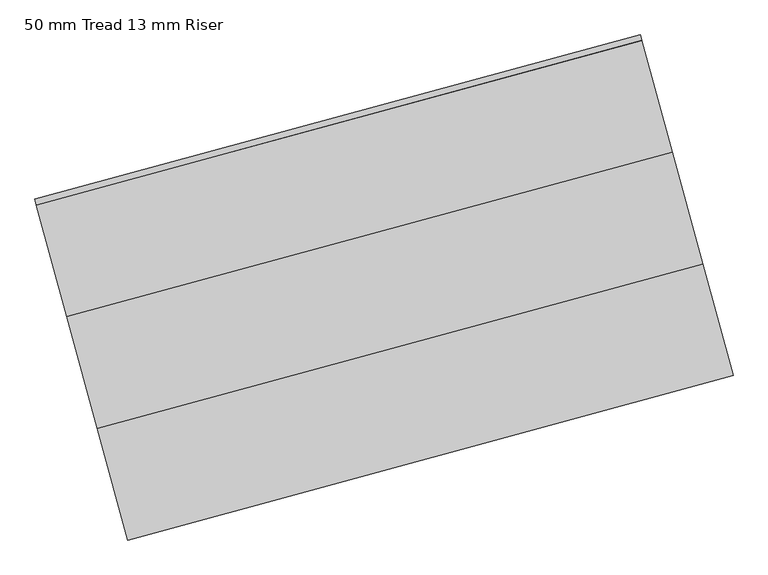
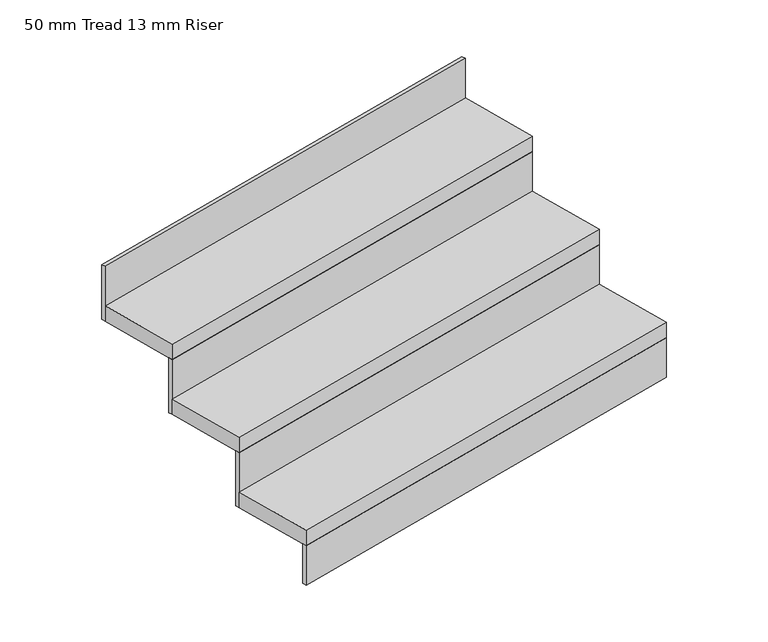
"""IFC4 building model written with IfcOpenShell, lengths in millimetres: stair flight geometry, 50 mm Tread 13 mm Riser."""

from ifc_helpers import new_model, si_unit, frame, origin, origin_with_axes, place, context, project, spatial, polyline, outline, extrude, source, transform, mapped, element, save


def stair_flight_50_mm_tread_13_mm_riser_f6943f2f(model_context):
    return source(origin(), model_context, "Body", "SweptSolid", [
        extrude(outline(polyline([(244720.3932878, 87111.111398), (244723.6718983, 87099.0490303), (243417.2275078, 86743.9510619), (243413.9488974, 86756.0134296), (244720.3932878, 87111.111398)])), origin_with_axes(), (0.0, 0.0, 1.0), 127.7777778),
        extrude(outline(polyline([(243351.6552986, 86985.198415), (244658.099689, 87340.2963834), (244723.6718983, 87099.0490303), (243417.2275078, 86743.9510619), (243351.6552986, 86985.198415)])), frame((0.0, 0.0, 127.7777778), z_axis=(0.0, 0.0, 1.0), x_axis=(1.0, 0.0, 0.0)), (0.0, 0.0, 1.0), 50.0),
        extrude(outline(polyline([(244654.8210786, 87352.358751), (244658.099689, 87340.2963834), (243351.6552986, 86985.198415), (243348.3766881, 86997.2607827), (244654.8210786, 87352.358751)])), frame((0.0, 0.0, 127.7777778), z_axis=(0.0, 0.0, 1.0), x_axis=(1.0, 0.0, 0.0)), (0.0, 0.0, 1.0), 177.7777778),
        extrude(outline(polyline([(243286.0830893, 87226.4457681), (244592.5274798, 87581.5437365), (244658.099689, 87340.2963834), (243351.6552986, 86985.198415), (243286.0830893, 87226.4457681)])), frame((0.0, 0.0, 305.5555556), z_axis=(0.0, 0.0, 1.0), x_axis=(1.0, 0.0, 0.0)), (0.0, 0.0, 1.0), 50.0),
        extrude(outline(polyline([(244589.2488693, 87593.6061041), (244592.5274798, 87581.5437365), (243286.0830893, 87226.4457681), (243282.8044788, 87238.5081358), (244589.2488693, 87593.6061041)])), frame((0.0, 0.0, 305.5555556), z_axis=(0.0, 0.0, 1.0), x_axis=(1.0, 0.0, 0.0)), (0.0, 0.0, 1.0), 177.7777778),
        extrude(outline(polyline([(244523.67666, 87834.8534572), (244526.9552705, 87822.7910896), (243220.51088, 87467.6931212), (243217.2322696, 87479.7554889), (244523.67666, 87834.8534572)])), frame((0.0, 0.0, 483.3333333), z_axis=(0.0, 0.0, 1.0), x_axis=(1.0, 0.0, 0.0)), (0.0, 0.0, 1.0), 177.7777778),
        extrude(outline(polyline([(243220.51088, 87467.6931212), (244526.9552705, 87822.7910896), (244592.5274798, 87581.5437365), (243286.0830893, 87226.4457681), (243220.51088, 87467.6931212)])), frame((0.0, 0.0, 483.3333333), z_axis=(0.0, 0.0, 1.0), x_axis=(1.0, 0.0, 0.0)), (0.0, 0.0, 1.0), 50.0),
    ])


if __name__ == "__main__":
    model = new_model("IFC4")
    model_context = context("Model", 3, world=origin())
    ifc_project = project(units=[si_unit("LENGTHUNIT", "METRE", prefix="MILLI")], contexts=[model_context])
    site = spatial("IfcSite", under=ifc_project)
    building = spatial("IfcBuilding", under=site)
    placement = place(None, origin())
    stair_flight_50_mm_tread_13_mm_riser_shape = stair_flight_50_mm_tread_13_mm_riser_f6943f2f(model_context)
    element("IfcStairFlight", 1, ObjectType="50 mm Tread 13 mm Riser", at=placement, inside=building, context=model_context, shape_type="MappedRepresentation", body=[
        mapped(stair_flight_50_mm_tread_13_mm_riser_shape, transform((0.0, 0.0, 0.0), x_axis=(1.0, 0.0, 0.0), y_axis=(0.0, 1.0, 0.0), z_axis=(0.0, 0.0, 1.0))),
    ])
    save(model, "model.ifc")
